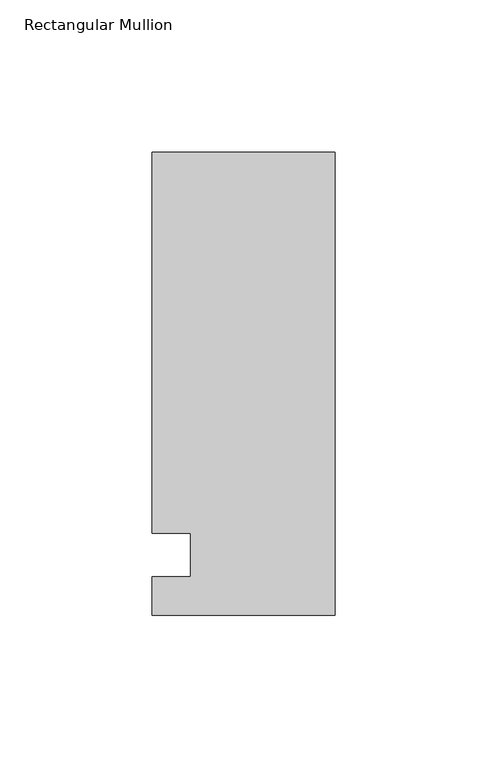
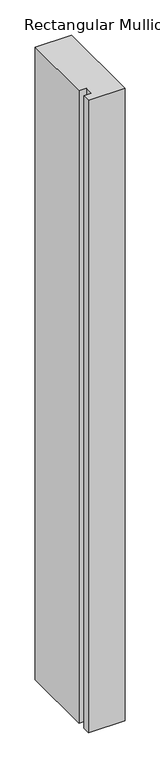
"""IFC4 building model written with IfcOpenShell, lengths in millimetres: member geometry, Rectangular Mullion."""

from ifc_helpers import new_model, si_unit, frame, origin, place, context, project, spatial, polyline, outline, extrude, source, transform, mapped, element, save


def rectangular_mullion_2a5a9246(model_context):
    return source(origin(), model_context, "Body", "SweptSolid", [
        extrude(outline(polyline([(-60.325, 132.55625), (0.0, 132.55625), (0.0, -19.84375), (-60.325, -19.84375), (-60.325, -7.14375), (-47.6232296, -7.14375), (-47.6232296, 7.14375), (-60.325, 7.14375), (-60.325, 132.55625)])), frame((0.0, 0.0, -1099.7094027), z_axis=(0.0, 0.0, 1.0), x_axis=(1.0, 0.0, 0.0)), (0.0, 0.0, 1.0), 1099.7094027),
    ])


if __name__ == "__main__":
    model = new_model("IFC4")
    model_context = context("Model", 3, world=origin())
    ifc_project = project(units=[si_unit("LENGTHUNIT", "METRE", prefix="MILLI")], contexts=[model_context])
    site = spatial("IfcSite", under=ifc_project)
    building = spatial("IfcBuilding", under=site)
    placement = place(None, origin())
    rectangular_mullion_shape = rectangular_mullion_2a5a9246(model_context)
    element("IfcMember", 1, ObjectType="Rectangular Mullion", at=placement, inside=building, context=model_context, shape_type="MappedRepresentation", body=[
        mapped(rectangular_mullion_shape, transform((0.0, 0.0, 0.0), x_axis=(1.0, 0.0, 0.0), y_axis=(0.0, 1.0, 0.0), z_axis=(0.0, 0.0, 1.0))),
    ])
    save(model, "model.ifc")
